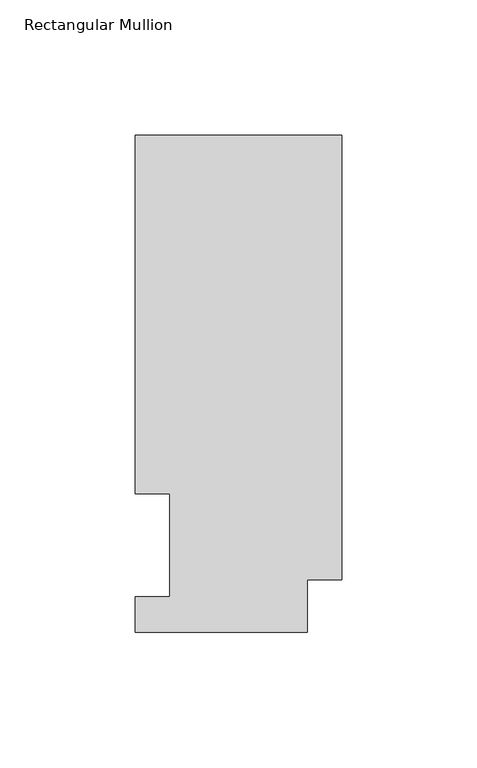
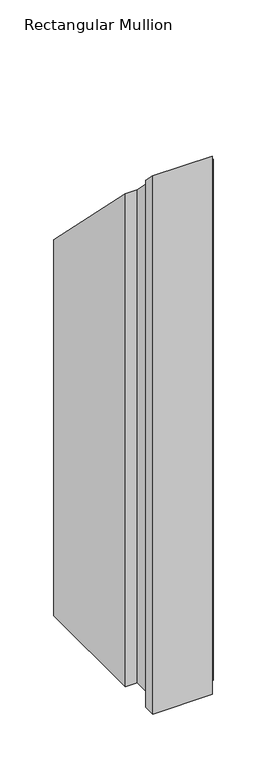
"""IFC4 building model written with IfcOpenShell, lengths in millimetres: member geometry, Rectangular Mullion."""

from ifc_helpers import new_model, si_unit, origin, place, context, project, spatial, faceted_brep, source, transform, mapped, element, save


def rectangular_mullion_10237f74(model_context):
    return source(origin(), model_context, "Body", "Brep", [
        faceted_brep([(0.0, 183.6554938, -609.6), (0.0, 19.5460937, -609.6), (-12.7, 19.5460937, -609.6), (-12.7, 0.0134937, -609.6), (-76.2000004, 0.0134937, -609.6), (-76.2000004, 13.1960937, -609.6), (-63.4943324, 13.1960937, -609.6), (-63.4943324, 51.2960938, -609.6), (-76.2000004, 51.2960938, -609.6), (-76.2000004, 183.6554938, -609.6), (0.0, 183.6554938, -183.6554938), (0.0, 19.5460937, -19.5460937), (-12.7, 19.5460937, -19.5460937), (-12.7, 0.0134937, -0.0134937), (-76.2000004, 0.0134937, -0.0134937), (-76.2000004, 13.1960937, -13.1960937), (-63.4943324, 13.1960937, -13.1960937), (-63.4943324, 51.2960938, -51.2960938), (-76.2000004, 51.2960938, -51.2960938), (-76.2000004, 183.6554938, -183.6554938)], [[[0, 1, 2, 3, 4, 5, 6, 7, 8, 9]], [[10, 11, 1, 0]], [[11, 12, 2, 1]], [[12, 13, 3, 2]], [[13, 14, 4, 3]], [[14, 15, 5, 4]], [[15, 16, 6, 5]], [[16, 17, 7, 6]], [[17, 18, 8, 7]], [[18, 19, 9, 8]], [[19, 10, 0, 9]], [[10, 19, 18, 17, 16, 15, 14, 13, 12, 11]]]),
    ])


if __name__ == "__main__":
    model = new_model("IFC4")
    model_context = context("Model", 3, world=origin())
    ifc_project = project(units=[si_unit("LENGTHUNIT", "METRE", prefix="MILLI")], contexts=[model_context])
    site = spatial("IfcSite", under=ifc_project)
    building = spatial("IfcBuilding", under=site)
    placement = place(None, origin())
    rectangular_mullion_shape = rectangular_mullion_10237f74(model_context)
    element("IfcMember", 1, ObjectType="Rectangular Mullion", at=placement, inside=building, context=model_context, shape_type="MappedRepresentation", body=[
        mapped(rectangular_mullion_shape, transform((0.0, 0.0, 0.0), x_axis=(1.0, 0.0, 0.0), y_axis=(0.0, 1.0, 0.0), z_axis=(0.0, 0.0, 1.0))),
    ])
    save(model, "model.ifc")
